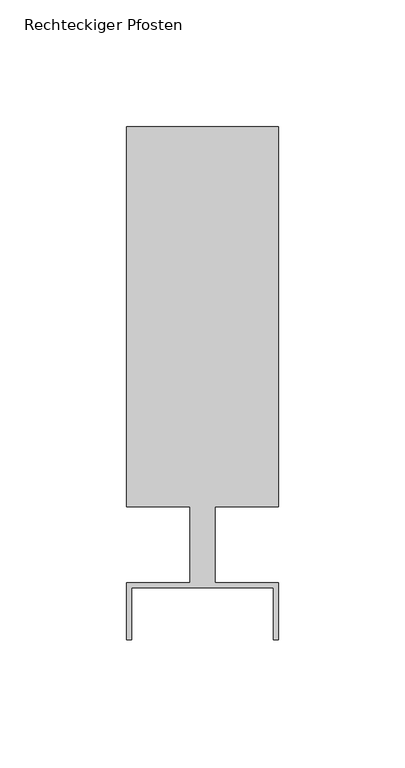
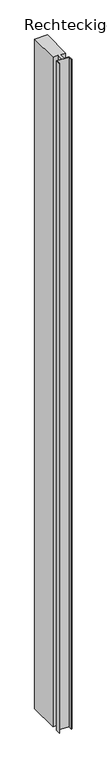
"""IFC4 building model written with IfcOpenShell, lengths in millimetres: member geometry, Rechteckiger Pfosten."""

from ifc_helpers import new_model, si_unit, frame, origin, place, context, project, spatial, polyline, outline, extrude, source, transform, mapped, element, save


def rechteckiger_pfosten_3d9b56b6(model_context):
    return source(origin(), model_context, "Body", "SweptSolid", [
        extrude(outline(polyline([(28.0, -37.5), (28.0, -17.0), (-28.0, -17.0), (-28.0, -37.5), (-30.0, -37.5), (-30.0, -15.0), (-5.0, -15.0), (-5.0, 15.0), (-30.0, 15.0), (-30.0, 165.0), (30.0, 165.0), (30.0, 15.0), (5.0, 15.0), (5.0, -15.0), (30.0, -15.0), (30.0, -37.5), (28.0, -37.5)])), frame((0.0, 0.0, -3360.0), z_axis=(0.0, 0.0, 1.0), x_axis=(1.0, 0.0, 0.0)), (0.0, 0.0, 1.0), 3360.0),
    ])


if __name__ == "__main__":
    model = new_model("IFC4")
    model_context = context("Model", 3, world=origin())
    ifc_project = project(units=[si_unit("LENGTHUNIT", "METRE", prefix="MILLI")], contexts=[model_context])
    site = spatial("IfcSite", under=ifc_project)
    building = spatial("IfcBuilding", under=site)
    placement = place(None, origin())
    rechteckiger_pfosten_shape = rechteckiger_pfosten_3d9b56b6(model_context)
    element("IfcMember", 1, ObjectType="Rechteckiger Pfosten", at=placement, inside=building, context=model_context, shape_type="MappedRepresentation", body=[
        mapped(rechteckiger_pfosten_shape, transform((0.0, 0.0, 0.0), x_axis=(1.0, 0.0, 0.0), y_axis=(0.0, 1.0, 0.0), z_axis=(0.0, 0.0, 1.0))),
    ])
    save(model, "model.ifc")
